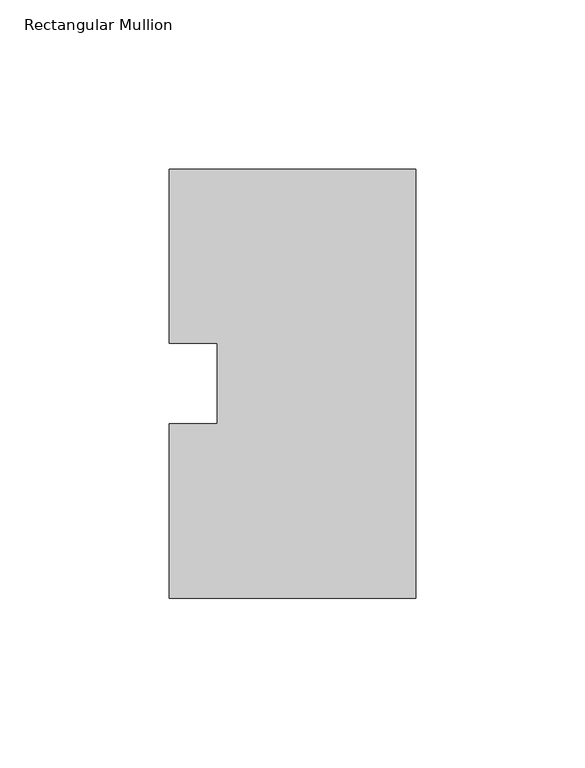
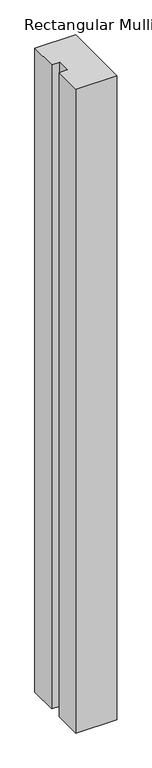
"""IFC4 building model written with IfcOpenShell, lengths in millimetres: member geometry, Rectangular Mullion."""

from ifc_helpers import new_model, si_unit, frame, origin, place, context, project, spatial, polyline, outline, extrude, source, transform, mapped, element, save


def rectangular_mullion_47151d20(model_context):
    return source(origin(), model_context, "Body", "SweptSolid", [
        extrude(outline(polyline([(0.0, 127.00635), (0.0, 0.00635), (-73.025, 0.00635), (-73.025, 51.60645), (-58.7375, 51.60645), (-58.7375, 75.40625), (-73.025, 75.40625), (-73.025, 127.00635), (0.0, 127.00635)])), frame((0.0, 0.0, -1219.2), z_axis=(0.0, 0.0, 1.0), x_axis=(1.0, 0.0, 0.0)), (0.0, 0.0, 1.0), 1219.2),
    ])


if __name__ == "__main__":
    model = new_model("IFC4")
    model_context = context("Model", 3, world=origin())
    ifc_project = project(units=[si_unit("LENGTHUNIT", "METRE", prefix="MILLI")], contexts=[model_context])
    site = spatial("IfcSite", under=ifc_project)
    building = spatial("IfcBuilding", under=site)
    placement = place(None, origin())
    rectangular_mullion_shape = rectangular_mullion_47151d20(model_context)
    element("IfcMember", 1, ObjectType="Rectangular Mullion", at=placement, inside=building, context=model_context, shape_type="MappedRepresentation", body=[
        mapped(rectangular_mullion_shape, transform((0.0, 0.0, 0.0), x_axis=(1.0, 0.0, 0.0), y_axis=(0.0, 1.0, 0.0), z_axis=(0.0, 0.0, 1.0))),
    ])
    save(model, "model.ifc")
